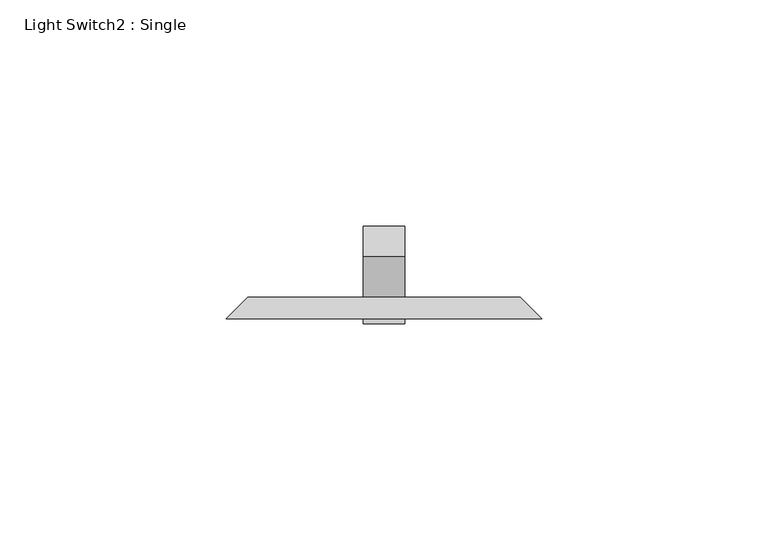
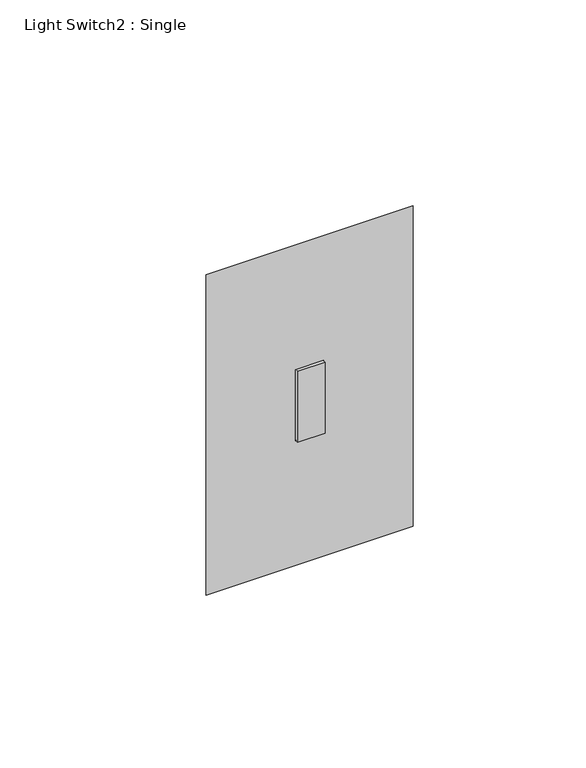
"""IFC4 building model written with IfcOpenShell, lengths in millimetres: proxy geometry, Light Switch2 : Single."""

from ifc_helpers import new_model, si_unit, frame, origin, place, context, project, spatial, polyline, outline, extrude, faceted_brep, source, transform, mapped, element, save


def light_switch2_single_fd42f0bb(model_context):
    return source(origin(), model_context, "Body", "SolidModel", [
        faceted_brep([(-30.1625, 159.7375, 357.1875), (30.1625, 159.7375, 357.1875), (30.1625, 159.7375, 252.4125), (-30.1625, 159.7375, 252.4125), (-4.7625, 159.7375, 317.5), (-4.7625, 159.7375, 292.1), (4.7625, 159.7375, 292.1), (4.7625, 159.7375, 317.5), (-34.925, 154.975, 361.95), (-34.925, 154.975, 247.65), (34.925, 154.975, 247.65), (34.925, 154.975, 361.95), (-4.7625, 154.975, 292.1), (-4.7625, 154.975, 317.5), (4.7625, 154.975, 317.5), (4.7625, 154.975, 292.1)], [[[0, 1, 2, 3], [4, 5, 6, 7]], [[8, 9, 10, 11], [12, 13, 14, 15]], [[1, 0, 8, 11]], [[2, 1, 11, 10]], [[3, 2, 10, 9]], [[0, 3, 9, 8]], [[4, 13, 12, 5]], [[5, 12, 15, 6]], [[6, 15, 14, 7]], [[13, 4, 7, 14]]]),
        extrude(outline(polyline([(168.7177561, 325.4978515), (175.4529482, 318.7626595), (159.7375, 303.0472112), (159.7375, 294.247253), (158.4977829, 292.1), (153.8858809, 292.1), (153.8858809, 317.5), (158.7550954, 317.5), (159.7375, 316.5175954), (168.7177561, 325.4978515)])), frame((-4.6077278, 0.0, 0.0), z_axis=(1.0, 0.0, 0.0), x_axis=(0.0, 1.0, 0.0)), (0.0, 0.0, 1.0), 9.2225805),
    ])


if __name__ == "__main__":
    model = new_model("IFC4")
    model_context = context("Model", 3, world=origin())
    ifc_project = project(units=[si_unit("LENGTHUNIT", "METRE", prefix="MILLI")], contexts=[model_context])
    site = spatial("IfcSite", under=ifc_project)
    building = spatial("IfcBuilding", under=site)
    placement = place(None, origin())
    light_switch2_single_shape = light_switch2_single_fd42f0bb(model_context)
    element("IfcBuildingElementProxy", 1, Name="Light Switch2 : Single", ObjectType="Light Switch2 : Single", at=placement, inside=building, context=model_context, shape_type="MappedRepresentation", body=[
        mapped(light_switch2_single_shape, transform((0.0, 0.0, 0.0), x_axis=(1.0, 0.0, 0.0), y_axis=(0.0, 1.0, 0.0), z_axis=(0.0, 0.0, 1.0))),
    ])
    save(model, "model.ifc")
